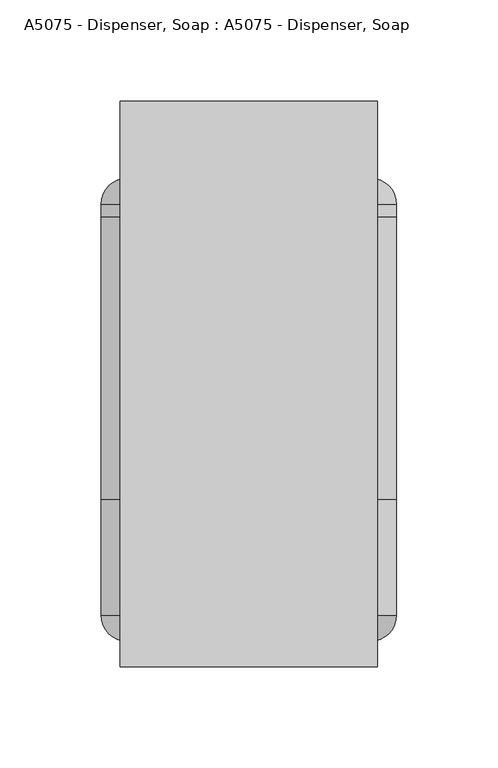
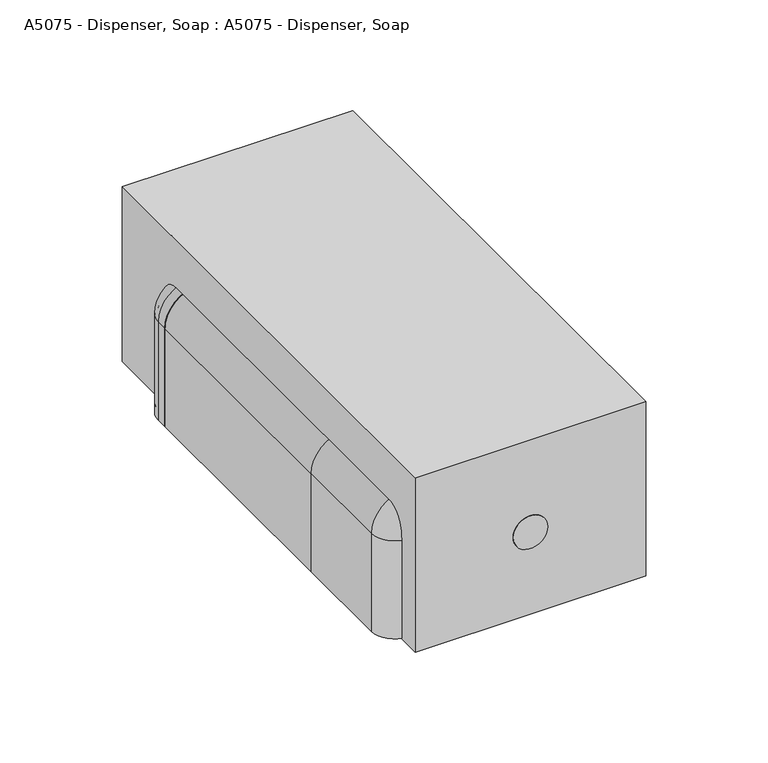
"""IFC4 building model written with IfcOpenShell, lengths in millimetres: proxy geometry, A5075 - Dispenser, Soap : A5075 - Dispenser, Soap."""

from ifc_helpers import new_model, si_unit, point, frame, frame_2d, origin, origin_with_axes, place, context, project, spatial, polyline, circle_curve, ellipse_curve, trimmed, segment, composite_curve, outline, extrude, source, transform, mapped, element, save
from ifc_brep_helpers import plane_surface, cylinder_surface, revolved_surface, advanced_brep


def a5075_dispenser_soap_a5075_dispenser_soap_c3f38053(model_context):
    return source(origin(), model_context, "Body", "SolidModel", [
        advanced_brep(
        [(-73.025, 25.4, 0.0), (-73.025, 82.55, 0.0), (-71.4375, 82.55, 0.0), (-71.4375, 25.4, 0.0), (-60.325, 14.2875, 0.0), (-60.325, 12.7, 0.0), (-73.025, 25.4, 57.15), (-73.025, 82.55, 57.15), (-53.975, 82.55, 76.2), (53.975, 82.55, 76.2), (73.025, 82.55, 57.15), (73.025, 82.55, 12.7), (71.4375, 82.55, 12.7), (71.4375, 82.55, 57.15), (53.975, 82.55, 74.6125), (-53.975, 82.55, 74.6125), (-71.4375, 82.55, 57.15), (-71.4375, 25.4, 57.15), (-60.325, 14.2875, 57.15), (-60.325, 12.7, 57.15), (-53.975, 25.4, 76.2), (-53.975, 25.4, 74.6125), (-53.975, 14.2875, 63.5), (-53.975, 12.7, 63.5), (53.975, 25.4, 76.2), (53.975, 25.4, 74.6125), (53.975, 14.2875, 63.5), (53.975, 12.7, 63.5), (73.025, 25.4, 57.15), (71.4375, 25.4, 57.15), (60.325, 14.2875, 57.15), (60.325, 12.7, 57.15), (73.025, 25.4, 12.7), (60.325, 12.7, 12.7), (60.325, 14.2875, 12.7), (71.4375, 25.4, 12.7)],
        [
            (0, 1),
            (1, 2),
            (2, 3),
            (3, 4, circle_curve(frame((-60.325, 25.4, 0.0), z_axis=(0.0, 0.0, 1.0), x_axis=(1.0, 0.0, 0.0)), 11.1125)),
            (4, 5),
            (5, 0, circle_curve(frame((-60.325, 25.4, 0.0), z_axis=(0.0, 0.0, -1.0), x_axis=(1.0, 0.0, 0.0)), 12.7)),
            (0, 6),
            (6, 7),
            (7, 1),
            (7, 8, circle_curve(frame((-53.975, 82.55, 57.15), z_axis=(0.0, 1.0, 0.0), x_axis=(-1.0, 0.0, 0.0)), 19.05)),
            (8, 9),
            (9, 10, circle_curve(frame((53.975, 82.55, 57.15), z_axis=(0.0, 1.0, 0.0), x_axis=(0.0, 0.0, 1.0)), 19.05)),
            (10, 11),
            (11, 12),
            (12, 13),
            (13, 14, circle_curve(frame((53.975, 82.55, 57.15), z_axis=(0.0, -1.0, 0.0), x_axis=(0.0, 0.0, 1.0)), 17.4625)),
            (14, 15),
            (15, 16, circle_curve(frame((-53.975, 82.55, 57.15), z_axis=(0.0, -1.0, 0.0), x_axis=(-1.0, 0.0, 0.0)), 17.4625)),
            (16, 2),
            (16, 17),
            (17, 3),
            (17, 18, circle_curve(frame((-60.325, 25.4, 57.15), z_axis=(0.0, 0.0, 1.0), x_axis=(1.0, 0.0, 0.0)), 11.1125)),
            (18, 4),
            (18, 19),
            (19, 5),
            (19, 6, circle_curve(frame((-60.325, 25.4, 57.15), z_axis=(0.0, 0.0, -1.0), x_axis=(1.0, 0.0, 0.0)), 12.7)),
            (6, 20, circle_curve(frame((-53.975, 25.4, 57.15), z_axis=(0.0, 1.0, 0.0), x_axis=(-1.0, 0.0, 0.0)), 19.05)),
            (20, 8),
            (21, 17, circle_curve(frame((-53.975, 25.4, 57.15), z_axis=(0.0, -1.0, 0.0), x_axis=(-1.0, 0.0, 0.0)), 17.4625)),
            (15, 21),
            (22, 18, circle_curve(frame((-53.975, 14.2875, 57.15), z_axis=(0.0, -1.0, 0.0), x_axis=(-1.0, 0.0, 0.0)), 6.35)),
            (21, 22, circle_curve(frame((-53.975, 25.4, 63.5), z_axis=(1.0, 0.0, 0.0), x_axis=(0.0, 0.0, -1.0)), 11.1125)),
            (23, 19, circle_curve(frame((-53.975, 12.7, 57.15), z_axis=(0.0, -1.0, 0.0), x_axis=(-1.0, 0.0, 0.0)), 6.35)),
            (22, 23),
            (23, 20, circle_curve(frame((-53.975, 25.4, 63.5), z_axis=(-1.0, 0.0, 0.0), x_axis=(0.0, 0.0, -1.0)), 12.7)),
            (20, 24),
            (24, 9),
            (14, 25),
            (25, 21),
            (25, 26, circle_curve(frame((53.975, 25.4, 63.5), z_axis=(1.0, 0.0, 0.0), x_axis=(0.0, 0.0, -1.0)), 11.1125)),
            (26, 22),
            (26, 27),
            (27, 23),
            (27, 24, circle_curve(frame((53.975, 25.4, 63.5), z_axis=(-1.0, 0.0, 0.0), x_axis=(0.0, 0.0, -1.0)), 12.7)),
            (24, 28, circle_curve(frame((53.975, 25.4, 57.15), z_axis=(0.0, 1.0, 0.0), x_axis=(0.0, 0.0, 1.0)), 19.05)),
            (28, 10),
            (29, 25, circle_curve(frame((53.975, 25.4, 57.15), z_axis=(0.0, -1.0, 0.0), x_axis=(0.0, 0.0, 1.0)), 17.4625)),
            (13, 29),
            (30, 26, circle_curve(frame((53.975, 14.2875, 57.15), z_axis=(0.0, -1.0, 0.0), x_axis=(0.0, 0.0, 1.0)), 6.35)),
            (29, 30, circle_curve(frame((60.325, 25.4, 57.15), z_axis=(0.0, 0.0, -1.0), x_axis=(-1.0, 0.0, 0.0)), 11.1125)),
            (31, 27, circle_curve(frame((53.975, 12.7, 57.15), z_axis=(0.0, -1.0, 0.0), x_axis=(0.0, 0.0, 1.0)), 6.35)),
            (30, 31),
            (31, 28, circle_curve(frame((60.325, 25.4, 57.15), z_axis=(0.0, 0.0, 1.0), x_axis=(-1.0, 0.0, 0.0)), 12.7)),
            (32, 33, circle_curve(frame((60.325, 25.4, 12.7), z_axis=(0.0, 0.0, -1.0), x_axis=(-1.0, 0.0, 0.0)), 12.7)),
            (33, 34),
            (34, 35, circle_curve(frame((60.325, 25.4, 12.7), z_axis=(0.0, 0.0, 1.0), x_axis=(-1.0, 0.0, 0.0)), 11.1125)),
            (35, 12),
            (11, 32),
            (28, 32),
            (35, 29),
            (34, 30),
            (33, 31),
        ],
        [
            plane_surface(frame((-73.025, 12.7, 0.0), z_axis=(0.0, 0.0, -1.0), x_axis=(0.0, 1.0, 0.0))),
            plane_surface(frame((-73.025, 25.4, 0.0), z_axis=(-1.0, 0.0, 0.0), x_axis=(0.0, 0.0, 1.0))),
            plane_surface(frame((-73.025, 82.55, 0.0), z_axis=(0.0, 1.0, 0.0), x_axis=(0.0, 0.0, 1.0))),
            plane_surface(frame((-71.4375, 82.55, 0.0), z_axis=(1.0, 0.0, 0.0), x_axis=(0.0, 0.0, 1.0))),
            revolved_surface(polyline([(-49.212500000000006, 25.4, 57.15), (-49.212500000000006, 25.4, 0.0)]), (-60.325, 25.4, 0.0), (0.0, 0.0, 1.0)),
            plane_surface(frame((-60.325, 14.2875, 0.0), z_axis=(1.0, 0.0, 0.0), x_axis=(0.0, 0.0, 1.0))),
            cylinder_surface(frame((-60.325, 25.4, 0.0), z_axis=(0.0, 0.0, -1.0), x_axis=(1.0, 0.0, 0.0)), 12.7),
            cylinder_surface(frame((-53.975, 12.7, 57.15), z_axis=(0.0, 1.0, 0.0), x_axis=(-1.0, 0.0, 0.0)), 19.05),
            revolved_surface(polyline([(-71.4375, 82.55, 57.15), (-71.4375, 25.4, 57.15)]), (-53.975, 12.7, 57.15), (0.0, 1.0, 0.0)),
            revolved_surface(trimmed(ellipse_curve(frame((-60.325, 25.4, 57.15), z_axis=(0.0, 0.0, 1.0), x_axis=(1.0, 0.0, 0.0)), 11.1125, 11.1125), [point((-71.4375, 25.4, 57.15))], [point((-60.325, 14.2875, 57.15))], True, "CARTESIAN"), (-53.975, 12.7, 57.15), (0.0, 1.0, 0.0)),
            revolved_surface(polyline([(-60.325, 14.2875, 57.15), (-60.325, 12.7, 57.15)]), (-53.975, 12.7, 57.15), (0.0, 1.0, 0.0)),
            revolved_surface(trimmed(ellipse_curve(frame((-60.325, 25.4, 57.15), z_axis=(0.0, 0.0, -1.0), x_axis=(1.0, 0.0, 0.0)), 12.7, 12.7), [point((-60.325, 12.7, 57.15))], [point((-73.025, 25.4, 57.15))], True, "CARTESIAN"), (-53.975, 12.7, 57.15), (0.0, 1.0, 0.0)),
            plane_surface(frame((-53.975, 25.4, 76.2), z_axis=(0.0, 0.0, 1.0), x_axis=(1.0, 0.0, 0.0))),
            plane_surface(frame((-53.975, 82.55, 74.6125), z_axis=(0.0, 0.0, -1.0), x_axis=(1.0, 0.0, 0.0))),
            revolved_surface(polyline([(53.975, 25.4, 52.3875), (-53.975, 25.4, 52.3875)]), (-53.975, 25.4, 63.5), (1.0, 0.0, 0.0)),
            plane_surface(frame((-53.975, 14.2875, 63.5), z_axis=(0.0, 0.0, -1.0), x_axis=(1.0, 0.0, 0.0))),
            cylinder_surface(frame((-53.975, 25.4, 63.5), z_axis=(-1.0, 0.0, 0.0), x_axis=(0.0, 0.0, -1.0)), 12.7),
            cylinder_surface(frame((53.975, 12.7, 57.15), z_axis=(0.0, 1.0, 0.0), x_axis=(0.0, 0.0, 1.0)), 19.05),
            revolved_surface(polyline([(53.975, 82.55, 74.6125), (53.975, 25.4, 74.6125)]), (53.975, 12.7, 57.15), (0.0, 1.0, 0.0)),
            revolved_surface(trimmed(ellipse_curve(frame((53.975, 25.4, 63.5), z_axis=(1.0, 0.0, 0.0), x_axis=(0.0, 0.0, -1.0)), 11.1125, 11.1125), [point((53.975, 25.4, 74.6125))], [point((53.975, 14.2875, 63.5))], True, "CARTESIAN"), (53.975, 12.7, 57.15), (0.0, 1.0, 0.0)),
            revolved_surface(polyline([(53.975, 14.2875, 63.5), (53.975, 12.7, 63.5)]), (53.975, 12.7, 57.15), (0.0, 1.0, 0.0)),
            revolved_surface(trimmed(ellipse_curve(frame((53.975, 25.4, 63.5), z_axis=(-1.0, 0.0, 0.0), x_axis=(0.0, 0.0, -1.0)), 12.7, 12.7), [point((53.975, 12.7, 63.5))], [point((53.975, 25.4, 76.2))], True, "CARTESIAN"), (53.975, 12.7, 57.15), (0.0, 1.0, 0.0)),
            plane_surface(frame((73.025, 12.7, 12.7), z_axis=(0.0, 0.0, -1.0), x_axis=(0.0, 1.0, 0.0))),
            plane_surface(frame((73.025, 25.4, 57.15), z_axis=(1.0, 0.0, 0.0), x_axis=(0.0, 0.0, -1.0))),
            plane_surface(frame((71.4375, 82.55, 57.15), z_axis=(-1.0, 0.0, 0.0), x_axis=(0.0, 0.0, -1.0))),
            revolved_surface(polyline([(49.212500000000006, 25.4, 12.699999999999996), (49.212500000000006, 25.4, 57.15)]), (60.325, 25.4, 57.15), (0.0, 0.0, -1.0)),
            plane_surface(frame((60.325, 14.2875, 57.15), z_axis=(-1.0, 0.0, 0.0), x_axis=(0.0, 0.0, -1.0))),
            cylinder_surface(frame((60.325, 25.4, 57.15), z_axis=(0.0, 0.0, 1.0), x_axis=(-1.0, 0.0, 0.0)), 12.7),
        ],
        [
            (0, [[1, 2, 3, 4, 5, 6]]),
            (1, [[-1, 7, 8, 9]]),
            (2, [[-2, -9, 10, 11, 12, 13, 14, 15, 16, 17, 18, 19]]),
            (3, [[-3, -19, 20, 21]]),
            (4, [[-4, -21, 22, 23]]),
            (5, [[-5, -23, 24, 25]]),
            (6, [[-6, -25, 26, -7]]),
            (7, [[-10, -8, 27, 28]]),
            (8, [[29, -20, -18, 30]]),
            (9, [[31, -22, -29, 32]]),
            (10, [[33, -24, -31, 34]]),
            (11, [[-27, -26, -33, 35]]),
            (12, [[-28, 36, 37, -11]]),
            (13, [[-30, -17, 38, 39]]),
            (14, [[-32, -39, 40, 41]]),
            (15, [[-34, -41, 42, 43]]),
            (16, [[-35, -43, 44, -36]]),
            (17, [[-12, -37, 45, 46]]),
            (18, [[47, -38, -16, 48]]),
            (19, [[49, -40, -47, 50]]),
            (20, [[51, -42, -49, 52]]),
            (21, [[-45, -44, -51, 53]]),
            (22, [[54, 55, 56, 57, -14, 58]]),
            (23, [[-46, 59, -58, -13]]),
            (24, [[-48, -15, -57, 60]]),
            (25, [[-50, -60, -56, 61]]),
            (26, [[-52, -61, -55, 62]]),
            (27, [[-53, -62, -54, -59]]),
        ],
    ),
        advanced_brep(
        [(-73.025, 228.6, 0.0), (-60.325, 241.3, 0.0), (-60.325, 239.7125, 0.0), (-71.4375, 228.6, 0.0), (-71.4375, 222.25, 0.0), (-73.025, 222.25, 0.0), (-73.025, 228.6, 57.15), (-60.325, 241.3, 57.15), (-60.325, 239.7125, 57.15), (-71.4375, 228.6, 57.15), (-71.4375, 222.25, 57.15), (-53.975, 222.25, 74.6125), (53.975, 222.25, 74.6125), (71.4375, 222.25, 57.15), (71.4375, 222.25, 12.7), (73.025, 222.25, 12.7), (73.025, 222.25, 57.15), (53.975, 222.25, 76.2), (-53.975, 222.25, 76.2), (-73.025, 222.25, 57.15), (-53.975, 241.3, 63.5), (-53.975, 228.6, 76.2), (-53.975, 239.7125, 63.5), (-53.975, 228.6, 74.6125), (53.975, 228.6, 76.2), (53.975, 241.3, 63.5), (53.975, 239.7125, 63.5), (53.975, 228.6, 74.6125), (60.325, 241.3, 57.15), (73.025, 228.6, 57.15), (60.325, 239.7125, 57.15), (71.4375, 228.6, 57.15), (73.025, 228.6, 12.7), (71.4375, 228.6, 12.7), (60.325, 239.7125, 12.7), (60.325, 241.3, 12.7)],
        [
            (0, 1, circle_curve(frame((-60.325, 228.6, 0.0), z_axis=(0.0, 0.0, -1.0), x_axis=(1.0, 0.0, 0.0)), 12.7)),
            (1, 2),
            (2, 3, circle_curve(frame((-60.325, 228.6, 0.0), z_axis=(0.0, 0.0, 1.0), x_axis=(1.0, 0.0, 0.0)), 11.1125)),
            (3, 4),
            (4, 5),
            (5, 0),
            (0, 6),
            (6, 7, circle_curve(frame((-60.325, 228.6, 57.15), z_axis=(0.0, 0.0, -1.0), x_axis=(1.0, 0.0, 0.0)), 12.7)),
            (7, 1),
            (7, 8),
            (8, 2),
            (8, 9, circle_curve(frame((-60.325, 228.6, 57.15), z_axis=(0.0, 0.0, 1.0), x_axis=(1.0, 0.0, 0.0)), 11.1125)),
            (9, 3),
            (9, 10),
            (10, 4),
            (10, 11, circle_curve(frame((-53.975, 222.25, 57.15), z_axis=(0.0, 1.0, 0.0), x_axis=(-1.0, 0.0, 0.0)), 17.4625)),
            (11, 12),
            (12, 13, circle_curve(frame((53.975, 222.25, 57.15), z_axis=(0.0, 1.0, 0.0), x_axis=(0.0, 0.0, 1.0)), 17.4625)),
            (13, 14),
            (14, 15),
            (15, 16),
            (16, 17, circle_curve(frame((53.975, 222.25, 57.15), z_axis=(0.0, -1.0, 0.0), x_axis=(0.0, 0.0, 1.0)), 19.05)),
            (17, 18),
            (18, 19, circle_curve(frame((-53.975, 222.25, 57.15), z_axis=(0.0, -1.0, 0.0), x_axis=(-1.0, 0.0, 0.0)), 19.05)),
            (19, 5),
            (19, 6),
            (20, 7, circle_curve(frame((-53.975, 241.3, 57.15), z_axis=(0.0, -1.0, 0.0), x_axis=(-1.0, 0.0, 0.0)), 6.35)),
            (6, 21, circle_curve(frame((-53.975, 228.6, 57.15), z_axis=(0.0, 1.0, 0.0), x_axis=(-1.0, 0.0, 0.0)), 19.05)),
            (21, 20, circle_curve(frame((-53.975, 228.6, 63.5), z_axis=(-1.0, 0.0, 0.0), x_axis=(0.0, 0.0, -1.0)), 12.7)),
            (22, 8, circle_curve(frame((-53.975, 239.7125, 57.15), z_axis=(0.0, -1.0, 0.0), x_axis=(-1.0, 0.0, 0.0)), 6.35)),
            (20, 22),
            (23, 9, circle_curve(frame((-53.975, 228.6, 57.15), z_axis=(0.0, -1.0, 0.0), x_axis=(-1.0, 0.0, 0.0)), 17.4625)),
            (22, 23, circle_curve(frame((-53.975, 228.6, 63.5), z_axis=(1.0, 0.0, 0.0), x_axis=(0.0, 0.0, -1.0)), 11.1125)),
            (23, 11),
            (18, 21),
            (21, 24),
            (24, 25, circle_curve(frame((53.975, 228.6, 63.5), z_axis=(-1.0, 0.0, 0.0), x_axis=(0.0, 0.0, -1.0)), 12.7)),
            (25, 20),
            (25, 26),
            (26, 22),
            (26, 27, circle_curve(frame((53.975, 228.6, 63.5), z_axis=(1.0, 0.0, 0.0), x_axis=(0.0, 0.0, -1.0)), 11.1125)),
            (27, 23),
            (27, 12),
            (17, 24),
            (28, 25, circle_curve(frame((53.975, 241.3, 57.15), z_axis=(0.0, -1.0, 0.0), x_axis=(0.0, 0.0, 1.0)), 6.35)),
            (24, 29, circle_curve(frame((53.975, 228.6, 57.15), z_axis=(0.0, 1.0, 0.0), x_axis=(0.0, 0.0, 1.0)), 19.05)),
            (29, 28, circle_curve(frame((60.325, 228.6, 57.15), z_axis=(0.0, 0.0, 1.0), x_axis=(-1.0, 0.0, 0.0)), 12.7)),
            (30, 26, circle_curve(frame((53.975, 239.7125, 57.15), z_axis=(0.0, -1.0, 0.0), x_axis=(0.0, 0.0, 1.0)), 6.35)),
            (28, 30),
            (31, 27, circle_curve(frame((53.975, 228.6, 57.15), z_axis=(0.0, -1.0, 0.0), x_axis=(0.0, 0.0, 1.0)), 17.4625)),
            (30, 31, circle_curve(frame((60.325, 228.6, 57.15), z_axis=(0.0, 0.0, -1.0), x_axis=(-1.0, 0.0, 0.0)), 11.1125)),
            (31, 13),
            (16, 29),
            (32, 15),
            (14, 33),
            (33, 34, circle_curve(frame((60.325, 228.6, 12.7), z_axis=(0.0, 0.0, 1.0), x_axis=(-1.0, 0.0, 0.0)), 11.1125)),
            (34, 35),
            (35, 32, circle_curve(frame((60.325, 228.6, 12.7), z_axis=(0.0, 0.0, -1.0), x_axis=(-1.0, 0.0, 0.0)), 12.7)),
            (29, 32),
            (35, 28),
            (34, 30),
            (33, 31),
        ],
        [
            plane_surface(frame((-73.025, 241.3, 0.0), z_axis=(0.0, 0.0, -1.0), x_axis=(0.0, 1.0, 0.0))),
            cylinder_surface(frame((-60.325, 228.6, 0.0), z_axis=(0.0, 0.0, -1.0), x_axis=(1.0, 0.0, 0.0)), 12.7),
            plane_surface(frame((-60.325, 241.3, 0.0), z_axis=(1.0, 0.0, 0.0), x_axis=(0.0, 0.0, 1.0))),
            revolved_surface(polyline([(-49.212500000000006, 228.6, 57.15), (-49.212500000000006, 228.6, 0.0)]), (-60.325, 228.6, 0.0), (0.0, 0.0, 1.0)),
            plane_surface(frame((-71.4375, 228.6, 0.0), z_axis=(1.0, 0.0, 0.0), x_axis=(0.0, 0.0, 1.0))),
            plane_surface(frame((-71.4375, 222.25, 0.0), z_axis=(0.0, -1.0, 0.0), x_axis=(0.0, 0.0, 1.0))),
            plane_surface(frame((-73.025, 222.25, 0.0), z_axis=(-1.0, 0.0, 0.0), x_axis=(0.0, 0.0, 1.0))),
            revolved_surface(trimmed(ellipse_curve(frame((-60.325, 228.6, 57.15), z_axis=(0.0, 0.0, -1.0), x_axis=(1.0, 0.0, 0.0)), 12.7, 12.7), [point((-73.025, 228.6, 57.15))], [point((-60.325, 241.3, 57.15))], True, "CARTESIAN"), (-53.975, 241.3, 57.15), (0.0, 1.0, 0.0)),
            revolved_surface(polyline([(-60.325, 241.3, 57.15), (-60.325, 239.7125, 57.15)]), (-53.975, 241.3, 57.15), (0.0, 1.0, 0.0)),
            revolved_surface(trimmed(ellipse_curve(frame((-60.325, 228.6, 57.15), z_axis=(0.0, 0.0, 1.0), x_axis=(1.0, 0.0, 0.0)), 11.1125, 11.1125), [point((-60.325, 239.7125, 57.15))], [point((-71.4375, 228.6, 57.15))], True, "CARTESIAN"), (-53.975, 241.3, 57.15), (0.0, 1.0, 0.0)),
            revolved_surface(polyline([(-71.4375, 228.6, 57.15), (-71.4375, 222.25, 57.15)]), (-53.975, 241.3, 57.15), (0.0, 1.0, 0.0)),
            cylinder_surface(frame((-53.975, 241.3, 57.15), z_axis=(0.0, 1.0, 0.0), x_axis=(-1.0, 0.0, 0.0)), 19.05),
            cylinder_surface(frame((-53.975, 228.6, 63.5), z_axis=(-1.0, 0.0, 0.0), x_axis=(0.0, 0.0, -1.0)), 12.7),
            plane_surface(frame((-53.975, 241.3, 63.5), z_axis=(0.0, 0.0, -1.0), x_axis=(1.0, 0.0, 0.0))),
            revolved_surface(polyline([(53.975, 228.6, 52.3875), (-53.975, 228.6, 52.3875)]), (-53.975, 228.6, 63.5), (1.0, 0.0, 0.0)),
            plane_surface(frame((-53.975, 228.6, 74.6125), z_axis=(0.0, 0.0, -1.0), x_axis=(1.0, 0.0, 0.0))),
            plane_surface(frame((-53.975, 222.25, 76.2), z_axis=(0.0, 0.0, 1.0), x_axis=(1.0, 0.0, 0.0))),
            revolved_surface(trimmed(ellipse_curve(frame((53.975, 228.6, 63.5), z_axis=(-1.0, 0.0, 0.0), x_axis=(0.0, 0.0, -1.0)), 12.7, 12.7), [point((53.975, 228.6, 76.2))], [point((53.975, 241.3, 63.5))], True, "CARTESIAN"), (53.975, 241.3, 57.15), (0.0, 1.0, 0.0)),
            revolved_surface(polyline([(53.975, 241.3, 63.5), (53.975, 239.7125, 63.5)]), (53.975, 241.3, 57.15), (0.0, 1.0, 0.0)),
            revolved_surface(trimmed(ellipse_curve(frame((53.975, 228.6, 63.5), z_axis=(1.0, 0.0, 0.0), x_axis=(0.0, 0.0, -1.0)), 11.1125, 11.1125), [point((53.975, 239.7125, 63.5))], [point((53.975, 228.6, 74.6125))], True, "CARTESIAN"), (53.975, 241.3, 57.15), (0.0, 1.0, 0.0)),
            revolved_surface(polyline([(53.975, 228.6, 74.6125), (53.975, 222.25, 74.6125)]), (53.975, 241.3, 57.15), (0.0, 1.0, 0.0)),
            cylinder_surface(frame((53.975, 241.3, 57.15), z_axis=(0.0, 1.0, 0.0), x_axis=(0.0, 0.0, 1.0)), 19.05),
            plane_surface(frame((73.025, 241.3, 12.7), z_axis=(0.0, 0.0, -1.0), x_axis=(0.0, 1.0, 0.0))),
            cylinder_surface(frame((60.325, 228.6, 57.15), z_axis=(0.0, 0.0, 1.0), x_axis=(-1.0, 0.0, 0.0)), 12.7),
            plane_surface(frame((60.325, 241.3, 57.15), z_axis=(-1.0, 0.0, 0.0), x_axis=(0.0, 0.0, -1.0))),
            revolved_surface(polyline([(49.212500000000006, 228.6, 12.699999999999996), (49.212500000000006, 228.6, 57.15)]), (60.325, 228.6, 57.15), (0.0, 0.0, -1.0)),
            plane_surface(frame((71.4375, 228.6, 57.15), z_axis=(-1.0, 0.0, 0.0), x_axis=(0.0, 0.0, -1.0))),
            plane_surface(frame((73.025, 222.25, 57.15), z_axis=(1.0, 0.0, 0.0), x_axis=(0.0, 0.0, -1.0))),
        ],
        [
            (0, [[1, 2, 3, 4, 5, 6]]),
            (1, [[-1, 7, 8, 9]]),
            (2, [[-2, -9, 10, 11]]),
            (3, [[-3, -11, 12, 13]]),
            (4, [[-4, -13, 14, 15]]),
            (5, [[-5, -15, 16, 17, 18, 19, 20, 21, 22, 23, 24, 25]]),
            (6, [[-6, -25, 26, -7]]),
            (7, [[27, -8, 28, 29]]),
            (8, [[30, -10, -27, 31]]),
            (9, [[32, -12, -30, 33]]),
            (10, [[-16, -14, -32, 34]]),
            (11, [[-28, -26, -24, 35]]),
            (12, [[-29, 36, 37, 38]]),
            (13, [[-31, -38, 39, 40]]),
            (14, [[-33, -40, 41, 42]]),
            (15, [[-34, -42, 43, -17]]),
            (16, [[-35, -23, 44, -36]]),
            (17, [[45, -37, 46, 47]]),
            (18, [[48, -39, -45, 49]]),
            (19, [[50, -41, -48, 51]]),
            (20, [[-18, -43, -50, 52]]),
            (21, [[-46, -44, -22, 53]]),
            (22, [[54, -20, 55, 56, 57, 58]]),
            (23, [[-47, 59, -58, 60]]),
            (24, [[-49, -60, -57, 61]]),
            (25, [[-51, -61, -56, 62]]),
            (26, [[-52, -62, -55, -19]]),
            (27, [[-53, -21, -54, -59]]),
        ],
    ),
        extrude(outline(composite_curve([segment(polyline([(57.15, -73.025), (0.0, -73.025), (12.7, -71.4375), (57.15, -71.4375)]), True, "CONTINUOUS"), segment(trimmed(circle_curve(frame_2d((57.15, -53.975)), 17.4625), [point((57.15, -71.4375))], [point((74.6125, -53.975))], True, "CARTESIAN"), True, "CONTINUOUS"), segment(polyline([(74.6125, -53.975), (74.6125, 53.975)]), True, "CONTINUOUS"), segment(trimmed(circle_curve(frame_2d((57.15, 53.975)), 17.4625), [point((74.6125, 53.975))], [point((57.15, 71.4375))], True, "CARTESIAN"), True, "CONTINUOUS"), segment(polyline([(57.15, 71.4375), (12.7, 71.4375), (12.7, 73.025), (57.15, 73.025)]), True, "CONTINUOUS"), segment(trimmed(circle_curve(frame_2d((57.15, 53.975)), 19.05), [point((57.15, 73.025))], [point((76.2, 53.975))], False, "CARTESIAN"), True, "CONTINUOUS"), segment(polyline([(76.2, 53.975), (76.2, -53.975)]), True, "CONTINUOUS"), segment(trimmed(circle_curve(frame_2d((57.15, -53.975)), 19.05), [point((76.2, -53.975))], [point((57.15, -73.025))], False, "CARTESIAN"), True, "CONTINUOUS")], self_intersect=False)), frame((0.0, 82.55, 0.0), z_axis=(0.0, 1.0, 0.0), x_axis=(0.0, 0.0, 1.0)), (0.0, 0.0, 1.0), 139.7),
        extrude(outline(composite_curve([segment(polyline([(74.6125, 53.975), (74.6125, -53.975)]), True, "CONTINUOUS"), segment(trimmed(circle_curve(frame_2d((57.15, -53.975)), 17.4625), [point((74.6125, -53.975))], [point((57.15, -71.4375))], False, "CARTESIAN"), True, "CONTINUOUS"), segment(polyline([(57.15, -71.4375), (12.7, -71.4375), (12.7, 71.4375), (57.15, 71.4375)]), True, "CONTINUOUS"), segment(trimmed(circle_curve(frame_2d((57.15, 53.975)), 17.4625), [point((57.15, 71.4375))], [point((74.6125, 53.975))], False, "CARTESIAN"), True, "CONTINUOUS")], self_intersect=False)), frame((0.0, 82.55, 0.0), z_axis=(0.0, 1.0, 0.0), x_axis=(0.0, 0.0, 1.0)), (0.0, 0.0, 1.0), 101.8530988),
        extrude(outline(composite_curve([segment(trimmed(circle_curve(frame_2d((47.625, 0.0)), 9.525), [point((47.625, -9.525))], [point((47.625, 9.525))], False, "CARTESIAN"), True, "CONTINUOUS"), segment(trimmed(circle_curve(frame_2d((47.625, 0.0)), 9.525), [point((47.625, 9.525))], [point((47.625, -9.525))], False, "CARTESIAN"), True, "CONTINUOUS")], self_intersect=False)), frame((0.0, 0.0, 0.0), z_axis=(0.0, 1.0, 0.0), x_axis=(0.0, 0.0, 1.0)), (0.0, 0.0, 1.0), 12.7),
        extrude(outline(composite_curve([segment(polyline([(-9.525, 50.8), (9.525, 50.8)]), True, "CONTINUOUS"), segment(trimmed(circle_curve(frame_2d((9.525, 41.275)), 9.525), [point((9.525, 50.8))], [point((9.525, 31.75))], False, "CARTESIAN"), True, "CONTINUOUS"), segment(polyline([(9.525, 31.75), (-9.525, 31.75)]), True, "CONTINUOUS"), segment(trimmed(circle_curve(frame_2d((-9.525, 41.275)), 9.525), [point((-9.525, 31.75))], [point((-9.525, 50.8))], False, "CARTESIAN"), True, "CONTINUOUS")], self_intersect=False)), frame((0.0, 0.0, 76.2), z_axis=(0.0, 0.0, 1.0), x_axis=(1.0, 0.0, 0.0)), (0.0, 0.0, 1.0), 12.7),
        extrude(outline(composite_curve([segment(polyline([(12.7, -60.325), (12.7, 60.325), (57.15, 60.325)]), True, "CONTINUOUS"), segment(trimmed(circle_curve(frame_2d((57.15, 53.975)), 6.35), [point((57.15, 60.325))], [point((63.5, 53.975))], False, "CARTESIAN"), True, "CONTINUOUS"), segment(polyline([(63.5, 53.975), (63.5, -53.975)]), True, "CONTINUOUS"), segment(trimmed(circle_curve(frame_2d((57.15, -53.975)), 6.35), [point((63.5, -53.975))], [point((57.15, -60.325))], False, "CARTESIAN"), True, "CONTINUOUS"), segment(polyline([(57.15, -60.325), (12.7, -60.325)]), True, "CONTINUOUS")], self_intersect=False)), frame((0.0, 12.7, 0.0), z_axis=(0.0, 1.0, 0.0), x_axis=(0.0, 0.0, 1.0)), (0.0, 0.0, 1.0), 1.5875),
        extrude(outline(composite_curve([segment(polyline([(-60.325, 241.3), (60.325, 241.3)]), True, "CONTINUOUS"), segment(trimmed(circle_curve(frame_2d((60.325, 228.6)), 12.7), [point((60.325, 241.3))], [point((73.025, 228.6))], False, "CARTESIAN"), True, "CONTINUOUS"), segment(polyline([(73.025, 228.6), (73.025, 25.4)]), True, "CONTINUOUS"), segment(trimmed(circle_curve(frame_2d((60.325, 25.4)), 12.7), [point((73.025, 25.4))], [point((60.325, 12.7))], False, "CARTESIAN"), True, "CONTINUOUS"), segment(polyline([(60.325, 12.7), (-60.325, 12.7)]), True, "CONTINUOUS"), segment(trimmed(circle_curve(frame_2d((-60.325, 25.4)), 12.7), [point((-60.325, 12.7))], [point((-73.025, 25.4))], False, "CARTESIAN"), True, "CONTINUOUS"), segment(polyline([(-73.025, 25.4), (-73.025, 228.6)]), True, "CONTINUOUS"), segment(trimmed(circle_curve(frame_2d((-60.325, 228.6)), 12.7), [point((-73.025, 228.6))], [point((-60.325, 241.3))], False, "CARTESIAN"), True, "CONTINUOUS")], self_intersect=False)), origin_with_axes(), (0.0, 0.0, 1.0), 6.35),
        extrude(outline(polyline([(63.5, 279.4), (63.5, 0.0), (-63.5, 0.0), (-63.5, 279.4), (63.5, 279.4)])), origin_with_axes(), (0.0, 0.0, 1.0), 101.6),
        extrude(outline(composite_curve([segment(polyline([(0.0, -60.325), (0.0, 60.325), (44.45, 60.325)]), True, "CONTINUOUS"), segment(trimmed(circle_curve(frame_2d((44.45, 53.975)), 6.35), [point((44.45, 60.325))], [point((50.8, 53.975))], False, "CARTESIAN"), True, "CONTINUOUS"), segment(polyline([(50.8, 53.975), (50.8, -53.975)]), True, "CONTINUOUS"), segment(trimmed(circle_curve(frame_2d((44.45, -53.975)), 6.35), [point((50.8, -53.975))], [point((44.45, -60.325))], False, "CARTESIAN"), True, "CONTINUOUS"), segment(polyline([(44.45, -60.325), (0.0, -60.325)]), True, "CONTINUOUS")], self_intersect=False)), frame((0.0, 239.7125, 0.0), z_axis=(0.0, 1.0, 0.0), x_axis=(0.0, 0.0, 1.0)), (0.0, 0.0, 1.0), 1.5875),
    ])


if __name__ == "__main__":
    model = new_model("IFC4")
    model_context = context("Model", 3, world=origin())
    ifc_project = project(units=[si_unit("LENGTHUNIT", "METRE", prefix="MILLI")], contexts=[model_context])
    site = spatial("IfcSite", under=ifc_project)
    building = spatial("IfcBuilding", under=site)
    placement = place(None, origin())
    a5075_dispenser_soap_a5075_dispenser_soap_shape = a5075_dispenser_soap_a5075_dispenser_soap_c3f38053(model_context)
    element("IfcBuildingElementProxy", 1, Name="A5075 - Dispenser, Soap : A5075 - Dispenser, Soap", ObjectType="A5075 - Dispenser, Soap : A5075 - Dispenser, Soap", at=placement, inside=building, context=model_context, shape_type="MappedRepresentation", body=[
        mapped(a5075_dispenser_soap_a5075_dispenser_soap_shape, transform((0.0, 0.0, 0.0), x_axis=(1.0, 0.0, 0.0), y_axis=(0.0, 1.0, 0.0), z_axis=(0.0, 0.0, 1.0))),
    ])
    save(model, "model.ifc")
